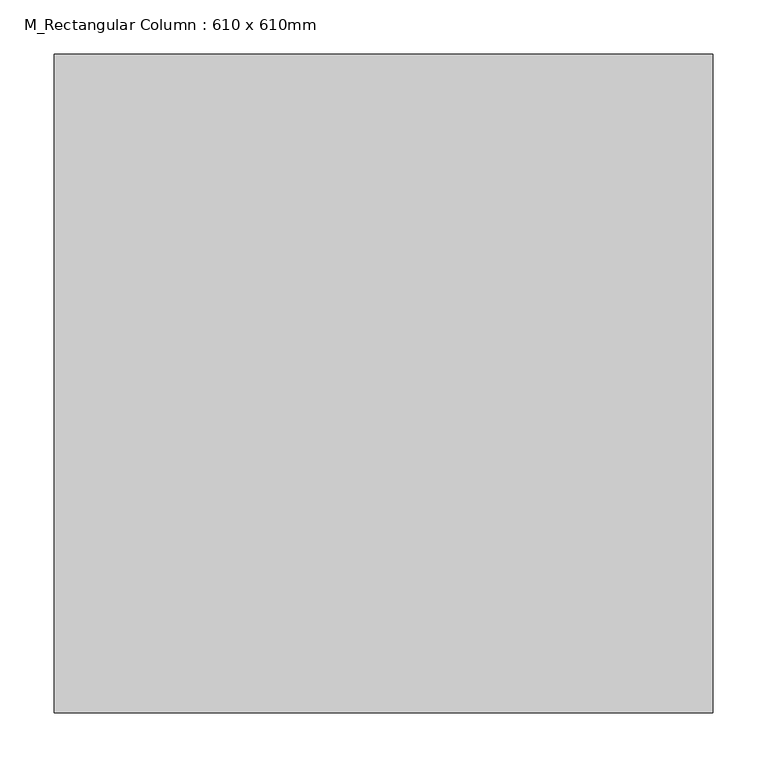
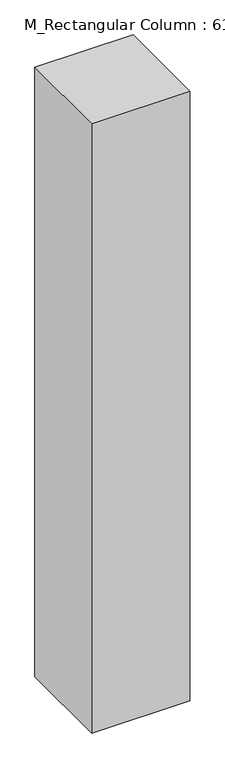
"""IFC4 building model written with IfcOpenShell, lengths in millimetres: column geometry, M_Rectangular Column : 610 x 610mm."""

from ifc_helpers import new_model, si_unit, frame, origin, place, context, project, spatial, polyline, outline, extrude, source, transform, mapped, element, save


def m_rectangular_column_610_x_610mm_f9aea2a4(model_context):
    return source(origin(), model_context, "Body", "SweptSolid", [
        extrude(outline(polyline([(305.0, 305.0), (305.0, -305.0), (-305.0, -305.0), (-305.0, 305.0), (305.0, 305.0)])), frame((0.0, 0.0, 18000.0), z_axis=(0.0, 0.0, 1.0), x_axis=(1.0, 0.0, 0.0)), (0.0, 0.0, 1.0), 4002.4366919),
    ])


if __name__ == "__main__":
    model = new_model("IFC4")
    model_context = context("Model", 3, world=origin())
    ifc_project = project(units=[si_unit("LENGTHUNIT", "METRE", prefix="MILLI")], contexts=[model_context])
    site = spatial("IfcSite", under=ifc_project)
    building = spatial("IfcBuilding", under=site)
    placement = place(None, origin())
    m_rectangular_column_610_x_610mm_shape = m_rectangular_column_610_x_610mm_f9aea2a4(model_context)
    element("IfcColumn", 1, ObjectType="M_Rectangular Column : 610 x 610mm", at=placement, inside=building, context=model_context, shape_type="MappedRepresentation", body=[
        mapped(m_rectangular_column_610_x_610mm_shape, transform((0.0, 0.0, 0.0), x_axis=(1.0, 0.0, 0.0), y_axis=(0.0, 1.0, 0.0), z_axis=(0.0, 0.0, 1.0))),
    ])
    save(model, "model.ifc")
